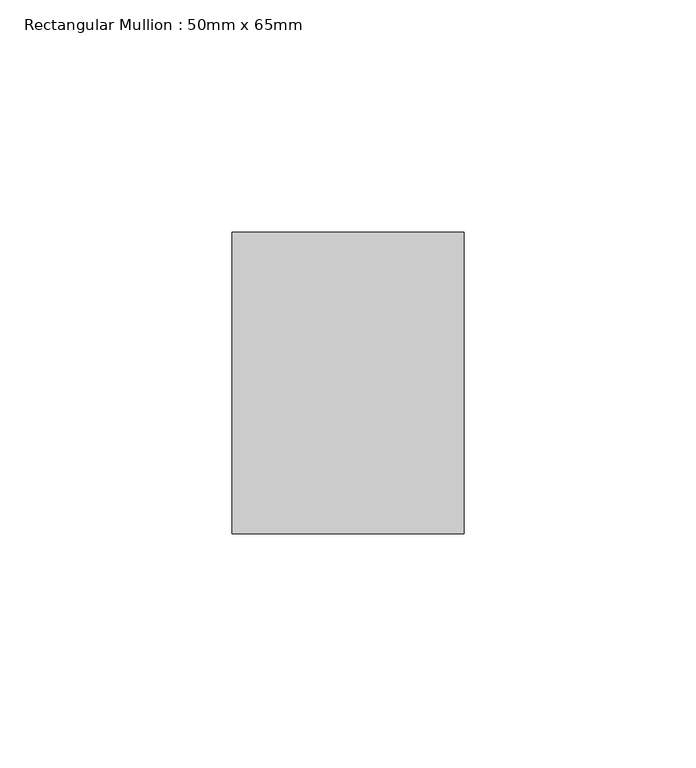
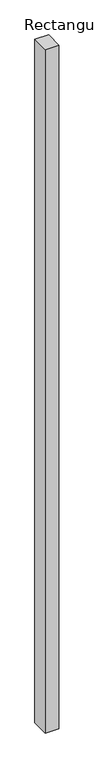
"""IFC4 building model written with IfcOpenShell, lengths in millimetres: member geometry, Rectangular Mullion : 50mm x 65mm."""

from ifc_helpers import new_model, si_unit, frame, origin, place, context, project, spatial, polyline, outline, extrude, source, transform, mapped, element, save


def rectangular_mullion_50mm_x_65mm_eedd31fd(model_context):
    return source(origin(), model_context, "Body", "SweptSolid", [
        extrude(outline(polyline([(25.0, 32.5), (25.0, -32.5), (-25.0, -32.5), (-25.0, 32.5), (25.0, 32.5)])), frame((0.0, 0.0, -2625.0744161), z_axis=(0.0, 0.0, 1.0), x_axis=(1.0, 0.0, 0.0)), (0.0, 0.0, 1.0), 2625.0744161),
    ])


if __name__ == "__main__":
    model = new_model("IFC4")
    model_context = context("Model", 3, world=origin())
    ifc_project = project(units=[si_unit("LENGTHUNIT", "METRE", prefix="MILLI")], contexts=[model_context])
    site = spatial("IfcSite", under=ifc_project)
    building = spatial("IfcBuilding", under=site)
    placement = place(None, origin())
    rectangular_mullion_50mm_x_65mm_shape = rectangular_mullion_50mm_x_65mm_eedd31fd(model_context)
    element("IfcMember", 1, ObjectType="Rectangular Mullion : 50mm x 65mm", at=placement, inside=building, context=model_context, shape_type="MappedRepresentation", body=[
        mapped(rectangular_mullion_50mm_x_65mm_shape, transform((0.0, 0.0, 0.0), x_axis=(1.0, 0.0, 0.0), y_axis=(0.0, 1.0, 0.0), z_axis=(0.0, 0.0, 1.0))),
    ])
    save(model, "model.ifc")
